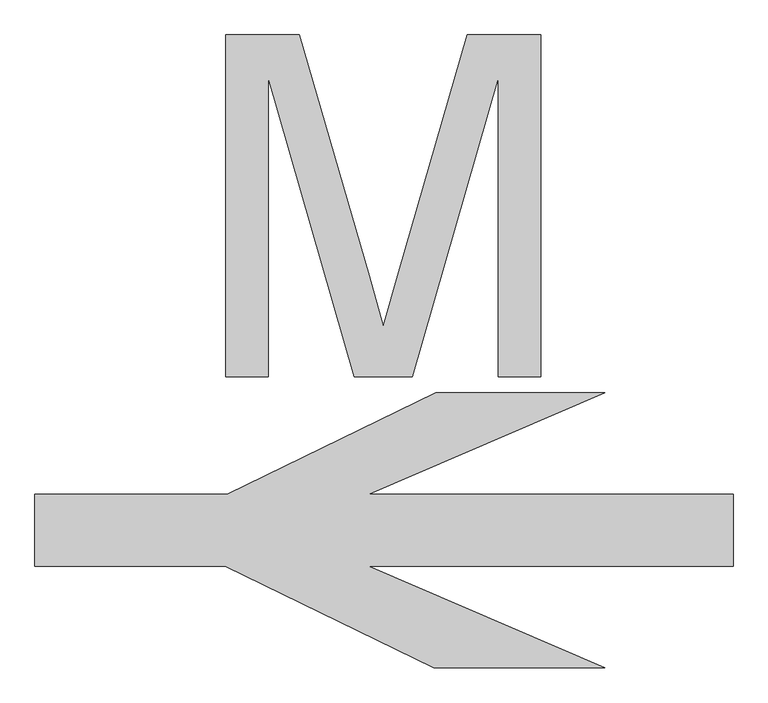
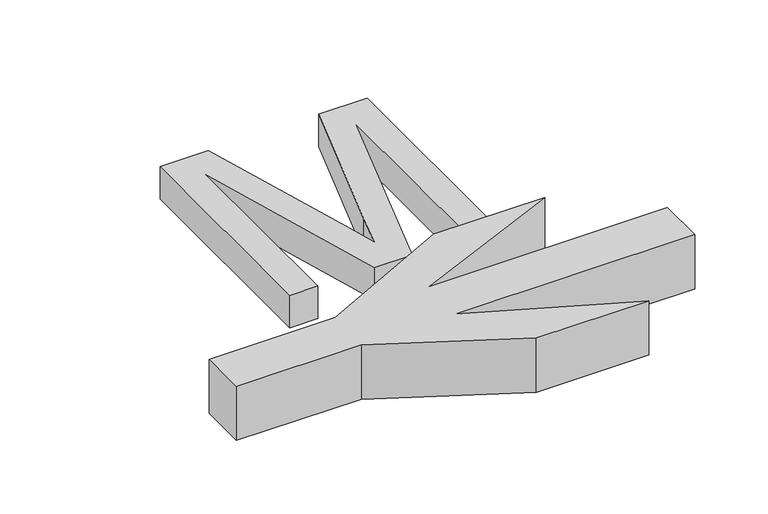
"""IFC4 building model written with IfcOpenShell, lengths in millimetres: proxy geometry."""

from ifc_helpers import new_model, si_unit, origin, origin_with_axes, place, context, project, spatial, polyline, outline, extrude, source, transform, mapped, element, save


def generic_models_867f739f(model_context):
    return source(origin(), model_context, "Body", "SweptSolid", [
        extrude(outline(polyline([(-452.9900581, 45.6839058), (-452.9900581, 1025.0778452), (-242.3342816, 1025.0778452), (-41.9602285, 334.7677126), (-1.5506641, 190.584474), (42.2064381, 346.723205), (239.2329533, 1025.0778452), (449.8887298, 1025.0778452), (449.8887298, 45.6839058), (327.4644874, 45.6839058), (327.4644874, 902.6536028), (81.4204533, 45.6839058), (-84.5217816, 45.6839058), (-330.5658157, 902.6536028), (-330.5658157, 45.6839058), (-452.9900581, 45.6839058)])), origin_with_axes(), (0.0, 0.0, 1.0), 150.0),
        extrude(outline(polyline([(-454.5064805, -496.6860009), (-999.4158236, -496.6860009), (-999.4158236, -291.0498798), (-448.357876, -291.0498798), (148.3828106, 0.0), (632.4382432, 0.0), (-43.2342383, -291.0498798), (1000.0, -291.0498798), (1000.0, -496.6860009), (-43.2342383, -496.6860009), (632.4382432, -787.7358807), (142.2342061, -787.7358807), (-454.5064805, -496.6860009)])), origin_with_axes(), (0.0, 0.0, 1.0), 250.0),
    ])


if __name__ == "__main__":
    model = new_model("IFC4")
    model_context = context("Model", 3, world=origin())
    ifc_project = project(units=[si_unit("LENGTHUNIT", "METRE", prefix="MILLI")], contexts=[model_context])
    site = spatial("IfcSite", under=ifc_project)
    building = spatial("IfcBuilding", under=site)
    placement = place(None, origin())
    generic_models_shape = generic_models_867f739f(model_context)
    element("IfcBuildingElementProxy", 1, Name="Generic Models", at=placement, inside=building, context=model_context, shape_type="MappedRepresentation", body=[
        mapped(generic_models_shape, transform((0.0, 0.0, 0.0), x_axis=(1.0, 0.0, 0.0), y_axis=(0.0, 1.0, 0.0), z_axis=(0.0, 0.0, 1.0))),
    ])
    save(model, "model.ifc")
